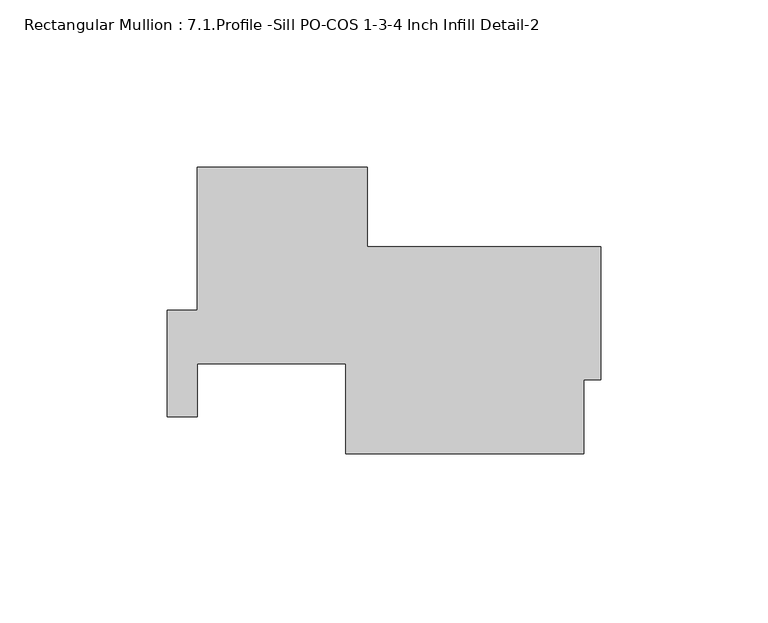
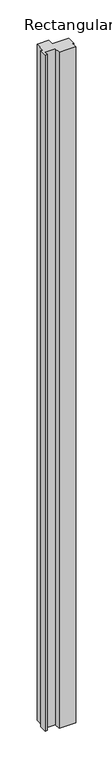
"""IFC4 building model written with IfcOpenShell, lengths in millimetres: member geometry, Rectangular Mullion : 7.1.Profile -Sill PO-COS 1-3-4 Inch Infill Detail-2."""

from ifc_helpers import new_model, si_unit, frame, origin, place, context, project, spatial, polyline, outline, extrude, source, transform, mapped, element, save


def rectangular_mullion_7_1_profile_sill_po_cos_1_3_4_inch_d57fd288(model_context):
    return source(origin(), model_context, "Body", "SweptSolid", [
        extrude(outline(polyline([(-5.0839665, -71.4375), (-5.0839665, -93.6625), (-76.2039665, -93.6625), (-76.2039665, -66.675), (-120.7053297, -66.675), (-120.7053297, -82.5086685), (-129.6201665, -82.5086685), (-129.6201665, -50.7586685), (-120.6539664, -50.7586685), (-120.6539664, -7.9502), (-69.8539664, -7.9502), (-69.8539664, -31.75), (0.0, -31.75), (0.0, -71.4375), (-5.0839665, -71.4375)])), frame((0.0, 0.0, -3048.0), z_axis=(0.0, 0.0, 1.0), x_axis=(1.0, 0.0, 0.0)), (0.0, 0.0, 1.0), 3048.0),
    ])


if __name__ == "__main__":
    model = new_model("IFC4")
    model_context = context("Model", 3, world=origin())
    ifc_project = project(units=[si_unit("LENGTHUNIT", "METRE", prefix="MILLI")], contexts=[model_context])
    site = spatial("IfcSite", under=ifc_project)
    building = spatial("IfcBuilding", under=site)
    placement = place(None, origin())
    rectangular_mullion_7_1_profile_sill_po_cos_1_3_4_inch_shape = rectangular_mullion_7_1_profile_sill_po_cos_1_3_4_inch_d57fd288(model_context)
    element("IfcMember", 1, ObjectType="Rectangular Mullion : 7.1.Profile -Sill PO-COS 1-3-4 Inch Infill Detail-2", at=placement, inside=building, context=model_context, shape_type="MappedRepresentation", body=[
        mapped(rectangular_mullion_7_1_profile_sill_po_cos_1_3_4_inch_shape, transform((0.0, 0.0, 0.0), x_axis=(1.0, 0.0, 0.0), y_axis=(0.0, 1.0, 0.0), z_axis=(0.0, 0.0, 1.0))),
    ])
    save(model, "model.ifc")
